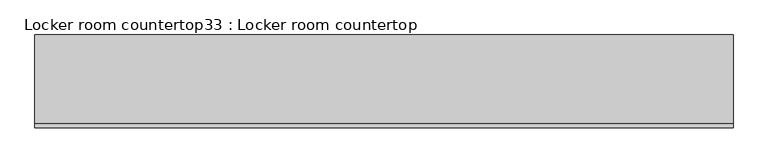
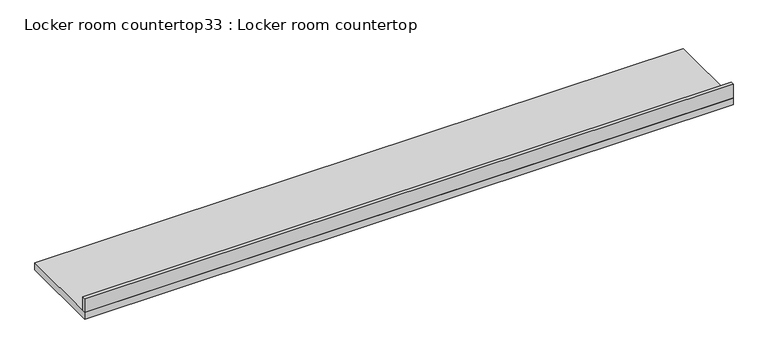
"""IFC4 building model written with IfcOpenShell, lengths in millimetres: furniture geometry, Locker room countertop33 : Locker room countertop."""

from ifc_helpers import new_model, si_unit, frame, origin, place, context, project, spatial, polyline, outline, extrude, source, transform, mapped, element, save


def locker_room_countertop33_locker_room_countertop_c17f10d8(model_context):
    return source(origin(), model_context, "Body", "SweptSolid", [
        extrude(outline(polyline([(216318.8879676, -289506.074859), (220897.2379676, -289506.074859), (220897.2379676, -289531.474859), (216318.8879676, -289531.474859), (216318.8879676, -289506.074859)])), frame((0.0, 0.0, 914.4), z_axis=(0.0, 0.0, 1.0), x_axis=(1.0, 0.0, 0.0)), (0.0, 0.0, 1.0), 101.6),
        extrude(outline(polyline([(216318.8879676, -288921.874859), (220897.2379676, -288921.874859), (220897.2379676, -289531.474859), (216318.8879676, -289531.474859), (216318.8879676, -288921.874859)])), frame((0.0, 0.0, 863.6), z_axis=(0.0, 0.0, 1.0), x_axis=(1.0, 0.0, 0.0)), (0.0, 0.0, 1.0), 50.8),
    ])


if __name__ == "__main__":
    model = new_model("IFC4")
    model_context = context("Model", 3, world=origin())
    ifc_project = project(units=[si_unit("LENGTHUNIT", "METRE", prefix="MILLI")], contexts=[model_context])
    site = spatial("IfcSite", under=ifc_project)
    building = spatial("IfcBuilding", under=site)
    placement = place(None, origin())
    locker_room_countertop33_locker_room_countertop_shape = locker_room_countertop33_locker_room_countertop_c17f10d8(model_context)
    element("IfcFurniture", 1, ObjectType="Locker room countertop33 : Locker room countertop", at=placement, inside=building, context=model_context, shape_type="MappedRepresentation", body=[
        mapped(locker_room_countertop33_locker_room_countertop_shape, transform((0.0, 0.0, 0.0), x_axis=(1.0, 0.0, 0.0), y_axis=(0.0, 1.0, 0.0), z_axis=(0.0, 0.0, 1.0))),
    ])
    save(model, "model.ifc")
